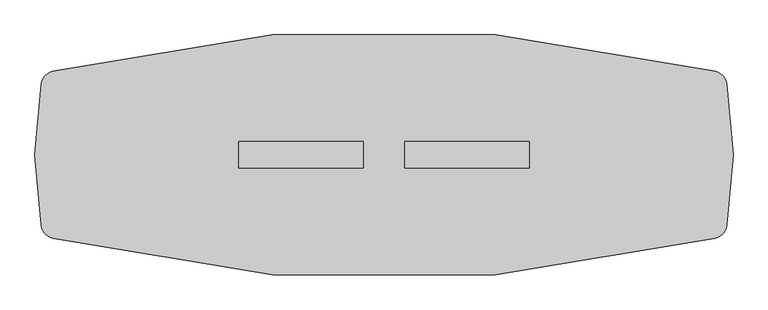
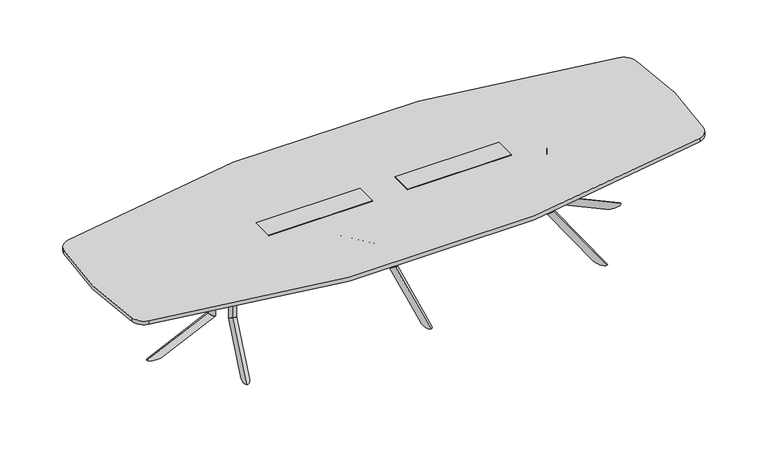
"""IFC4 building model written with IfcOpenShell, lengths in millimetres: furniture geometry."""

from ifc_helpers import new_model, si_unit, point, frame, frame_2d, origin, place, context, project, spatial, polyline, circle_curve, ellipse_curve, trimmed, segment, composite_curve, outline, extrude, faceted_brep, source, transform, mapped, element, save
from ifc_brep_helpers import plane_surface, cylinder_surface, advanced_brep


def furniture_1ea31c49(model_context):
    return source(origin(), model_context, "Body", "SolidModel", [
        advanced_brep(
        [(1158.0223919, 75.2941685, 686.003912), (1174.0497318, 122.655803, 686.003912), (1174.0497318, 122.655803, 209.8373371), (1158.0223919, 75.2941685, 177.9838308)],
        [
            (0, 1, circle_curve(frame((1166.0360619, 98.9749857, 686.003912), z_axis=(0.0, 0.0, 1.0), x_axis=(0.3205467959798249, 0.9472326808060777, 0.0)), 25.0000002)),
            (1, 0, circle_curve(frame((1166.0360619, 98.9749857, 686.003912), z_axis=(0.0, 0.0, 1.0), x_axis=(0.3205467959798249, 0.9472326808060777, 0.0)), 25.0000002)),
            (1, 2),
            (2, 3, ellipse_curve(frame((1166.0360619, 98.9749857, 193.910584), z_axis=(-0.17222964099785984, -0.5089476688044559, 0.8433914993526187), x_axis=(0.2703464428741051, 0.7988879909008375, 0.5372995243062679)), 29.6422245, 25.0000002)),
            (3, 0),
            (3, 2, ellipse_curve(frame((1166.0360619, 98.9749857, 193.910584), z_axis=(-0.17222964099785984, -0.5089476688044559, 0.8433914993526187), x_axis=(0.2703464428741051, 0.7988879909008375, 0.5372995243062679)), 29.6422245, 25.0000002)),
        ],
        [
            plane_surface(frame((1174.0497318, 122.655803, 686.003912), z_axis=(0.0, 0.0, 1.0000000000000002), x_axis=(0.9472326808060777, -0.3205467959798249, 0.0))),
            cylinder_surface(frame((1166.0360619, 98.9749857, 171.4949981), z_axis=(0.0, 0.0, 1.0), x_axis=(0.3205467959798249, 0.9472326808060777, 0.0)), 25.0000002),
            plane_surface(frame((1240.1881968, 41.2603046, 174.2251154), z_axis=(0.17222964099785987, 0.508947668804456, -0.8433914993526189), x_axis=(-0.9472326808060767, 0.32054679597982794, 0.0))),
        ],
        [
            (0, [[1, 2]]),
            (1, [[3, 4, 5, -2]]),
            (1, [[-5, 6, -3, -1]]),
            (2, [[-6, -4]]),
        ],
    ),
        advanced_brep(
        [(1318.2935324, 548.9087623, 0.0), (1280.3663703, 436.8270746, 0.0), (1158.0203866, 75.2882427, 177.9798453), (1174.0497318, 122.6558029, 209.8373371)],
        [
            (0, 1, ellipse_curve(frame((1299.330699, 492.8676655, 0.0), z_axis=(0.0, 0.0, 1.0), x_axis=(-0.32054679597982483, -0.9472326808060776, 0.0)), 59.162434, 25.003125)),
            (1, 2),
            (2, 3, ellipse_curve(frame((1166.0350592, 98.9720228, 193.9085912), z_axis=(0.17222964099785967, 0.5089476688044554, -0.843391499352619), x_axis=(-0.27034644287410003, -0.7988879909008393, -0.5372995243062673)), 29.6459333, 25.003125)),
            (3, 0),
            (3, 2, ellipse_curve(frame((1166.0350592, 98.9720228, 193.9085912), z_axis=(0.17222964099785967, 0.5089476688044554, -0.843391499352619), x_axis=(-0.27034644287410003, -0.7988879909008393, -0.5372995243062673)), 29.6459333, 25.003125)),
            (1, 0, ellipse_curve(frame((1299.330699, 492.8676655, 0.0), z_axis=(0.0, 0.0, 1.0), x_axis=(-0.32054679597982483, -0.9472326808060776, 0.0)), 59.162434, 25.003125)),
        ],
        [
            cylinder_surface(frame((1314.9078767, 538.8990467, -22.6605205), z_axis=(-0.2905140573061644, -0.858484354750152, 0.42261826174069417), x_axis=(0.13546892972354252, 0.40031782902624236, 0.9063077870366524)), 25.003125),
            plane_surface(frame((1243.3905535, 107.1040594, 214.6127246), z_axis=(-0.1722296409978597, -0.5089476688044555, 0.8433914993526193), x_axis=(-0.9472326808060767, 0.3205467959798279, 0.0))),
            plane_surface(frame((1324.2451428, 406.9632923, 0.0), z_axis=(0.0, 0.0, -1.0000000000000002), x_axis=(-0.9472326808060768, 0.3205467959798276, 0.0))),
        ],
        [
            (0, [[1, 2, 3, 4]]),
            (0, [[5, -2, 6, -4]]),
            (1, [[-5, -3]]),
            (2, [[-6, -1]]),
        ],
    ),
        extrude(outline(polyline([(0.0, 0.0), (-9.475476, 14.6158843), (381.7231629, 69.2843282), (391.4053704, 0.0), (0.0, 0.0)])), frame((1300.2005039, 489.1986462, 670.2172707), z_axis=(-0.9472326808060766, 0.320546795979828, 0.0), x_axis=(-0.3174619360313854, -0.9381167570298226, -0.13840111759322388)), (0.0, 0.0, 1.0), 4.0),
        extrude(outline(polyline([(1094.023204, 120.1483939), (1231.2259996, 525.589888), (1373.3109028, 477.5078683), (1236.1081072, 72.0663742), (1094.023204, 120.1483939)])), frame((0.0, 0.0, 686.003912), z_axis=(0.0, 0.0, 1.0), x_axis=(1.0, 0.0, 0.0)), (0.0, 0.0, 1.0), 3.9999739),
        advanced_brep(
        [(1158.0223919, -75.2941685, 686.003912), (1174.0497318, -122.655803, 686.003912), (1158.0223919, -75.2941685, 177.9838308), (1174.0497318, -122.655803, 209.8373371)],
        [
            (0, 1, circle_curve(frame((1166.0360619, -98.9749857, 686.003912), z_axis=(0.0, 0.0, 1.0), x_axis=(0.3205467959798129, -0.9472326808060817, 0.0)), 25.0000002)),
            (1, 0, circle_curve(frame((1166.0360619, -98.9749857, 686.003912), z_axis=(0.0, 0.0, 1.0), x_axis=(0.3205467959798129, -0.9472326808060817, 0.0)), 25.0000002)),
            (0, 2),
            (2, 3, ellipse_curve(frame((1166.0360619, -98.9749857, 193.910584), z_axis=(-0.17222964099785343, 0.5089476688044581, 0.8433914993526187), x_axis=(0.270346442874095, -0.7988879909008408, 0.5372995243062678)), 29.6422245, 25.0000002)),
            (3, 1),
            (3, 2, ellipse_curve(frame((1166.0360619, -98.9749857, 193.910584), z_axis=(-0.17222964099785343, 0.5089476688044581, 0.8433914993526187), x_axis=(0.270346442874095, -0.7988879909008408, 0.5372995243062678)), 29.6422245, 25.0000002)),
        ],
        [
            plane_surface(frame((1174.0497318, -122.655803, 686.003912), z_axis=(0.0, 0.0, 1.0), x_axis=(0.9472326808060817, 0.3205467959798129, 0.0))),
            cylinder_surface(frame((1166.0360619, -98.9749857, 171.4949981), z_axis=(0.0, 0.0, 1.0), x_axis=(0.3205467959798129, -0.9472326808060817, 0.0)), 25.0000002),
            plane_surface(frame((1240.1881968, -41.2603046, 174.2251154), z_axis=(0.17222964099785343, -0.5089476688044581, -0.8433914993526187), x_axis=(-0.9472326808060807, -0.32054679597981595, 0.0))),
        ],
        [
            (0, [[1, 2]]),
            (1, [[-1, 3, 4, 5]]),
            (1, [[-2, -5, 6, -3]]),
            (2, [[-4, -6]]),
        ],
    ),
        advanced_brep(
        [(1318.2950232, -548.9082435, 6.4e-06), (1174.0497318, -122.6558029, 209.8373371), (1158.0203866, -75.2882427, 177.9798453), (1280.3663703, -436.8270746, 0.0)],
        [
            (0, 1),
            (1, 2, ellipse_curve(frame((1166.0350592, -98.9720228, 193.9085912), z_axis=(0.17222964099785326, -0.5089476688044576, -0.843391499352619), x_axis=(-0.2703464428740898, 0.7988879909008427, -0.5372995243062677)), 29.6459333, 25.003125)),
            (2, 3),
            (3, 0, ellipse_curve(frame((1299.330699, -492.8676655, 0.0), z_axis=(0.0, 0.0, 1.0), x_axis=(-0.32054679597981284, 0.9472326808060817, 0.0)), 59.162434, 25.003125)),
            (0, 3, ellipse_curve(frame((1299.330699, -492.8676655, 0.0), z_axis=(0.0, 0.0, 1.0), x_axis=(-0.32054679597981284, 0.9472326808060817, 0.0)), 59.162434, 25.003125)),
            (2, 1, ellipse_curve(frame((1166.0350592, -98.9720228, 193.9085912), z_axis=(0.17222964099785326, -0.5089476688044576, -0.843391499352619), x_axis=(-0.2703464428740898, 0.7988879909008427, -0.5372995243062677)), 29.6459333, 25.003125)),
        ],
        [
            cylinder_surface(frame((1314.9078767, -538.8990467, -22.6605205), z_axis=(-0.29051405730615354, 0.8584843547501557, 0.42261826174069417), x_axis=(0.13546892972353747, -0.400317829026244, 0.9063077870366524)), 25.003125),
            plane_surface(frame((1243.3905535, -107.1040594, 214.6127246), z_axis=(-0.17222964099785326, 0.5089476688044576, 0.843391499352619), x_axis=(-0.9472326808060807, -0.3205467959798159, 0.0))),
            plane_surface(frame((1324.2451428, -406.9632923, 0.0), z_axis=(0.0, 0.0, -1.0), x_axis=(-0.9472326808060808, -0.3205467959798156, 0.0))),
        ],
        [
            (0, [[1, 2, 3, 4]]),
            (0, [[-1, 5, -3, 6]]),
            (1, [[-2, -6]]),
            (2, [[-4, -5]]),
        ],
    ),
        extrude(outline(polyline([(0.0, 0.0), (9.475476, -14.6158843), (-381.723163, -69.2843282), (-391.4053705, 0.0), (0.0, 0.0)])), frame((1296.4115732, -490.4808334, 670.2172707), z_axis=(0.9472326808060806, 0.320546795979816, 0.0), x_axis=(0.31746193603137357, -0.9381167570298267, 0.1384011175932239)), (0.0, 0.0, 1.0), 4.0),
        extrude(outline(polyline([(1094.023204, -120.1483939), (1236.1081072, -72.0663742), (1373.3109028, -477.5078683), (1231.2259996, -525.589888), (1094.023204, -120.1483939)])), frame((0.0, 0.0, 686.003912), z_axis=(0.0, 0.0, 1.0), x_axis=(1.0, 0.0, 0.0)), (0.0, 0.0, 1.0), 3.9999739),
        advanced_brep(
        [(1236.920648, 0.0, 686.4114757), (1286.9206484, 0.0, 686.4114757), (1236.920648, 0.0, 178.3913945), (1286.9206484, 0.0, 210.2449008)],
        [
            (0, 1, circle_curve(frame((1261.9206482, 0.0, 686.4114757), z_axis=(0.0, 0.0, 1.0), x_axis=(1.0, 0.0, 0.0)), 25.0000002)),
            (1, 0, circle_curve(frame((1261.9206482, 0.0, 686.4114757), z_axis=(0.0, 0.0, 1.0), x_axis=(1.0, 0.0, 0.0)), 25.0000002)),
            (0, 2),
            (2, 3, ellipse_curve(frame((1261.9206482, 0.0, 194.3181477), z_axis=(-0.5372995243062679, 0.0, 0.8433914993526187), x_axis=(0.8433914993526187, 0.0, 0.5372995243062678)), 29.6422245, 25.0000002)),
            (3, 1),
            (3, 2, ellipse_curve(frame((1261.9206482, 0.0, 194.3181477), z_axis=(-0.5372995243062679, 0.0, 0.8433914993526187), x_axis=(0.8433914993526187, 0.0, 0.5372995243062678)), 29.6422245, 25.0000002)),
        ],
        [
            plane_surface(frame((1286.9206484, 0.0, 686.4114757), z_axis=(0.0, 0.0, 1.0), x_axis=(0.0, 1.0, 0.0))),
            cylinder_surface(frame((1261.9206482, 0.0, 171.9025618), z_axis=(0.0, 0.0, 1.0), x_axis=(1.0, 0.0, 0.0)), 25.0000002),
            plane_surface(frame((1231.0206453, 88.7395816, 174.6326791), z_axis=(0.5372995243062679, 0.0, -0.8433914993526187), x_axis=(0.0, -1.0, 0.0))),
        ],
        [
            (0, [[1, 2]]),
            (1, [[-1, 3, 4, 5]]),
            (1, [[-2, -5, 6, -3]]),
            (2, [[-4, -6]]),
        ],
    ),
        advanced_brep(
        [(1736.9182563, 0.0, 0.4075701), (1286.9206484, 0.0, 210.2449008), (1236.914392, 0.0, 178.387409), (1618.5934021, 0.0, 0.4075637)],
        [
            (0, 1),
            (1, 2, ellipse_curve(frame((1261.9175202, 0.0, 194.3161549), z_axis=(0.5372995243062675, 0.0, -0.843391499352619), x_axis=(-0.843391499352619, 0.0, -0.5372995243062674)), 29.6459333, 25.003125)),
            (2, 3),
            (3, 0, ellipse_curve(frame((1677.755836, 0.0, 0.4075637), z_axis=(0.0, 0.0, 1.0), x_axis=(-1.0, 0.0, 0.0)), 59.162434, 25.003125)),
            (0, 3, ellipse_curve(frame((1677.755836, 0.0, 0.4075637), z_axis=(0.0, 0.0, 1.0), x_axis=(-1.0, 0.0, 0.0)), 59.162434, 25.003125)),
            (2, 1, ellipse_curve(frame((1261.9175202, 0.0, 194.3161549), z_axis=(0.5372995243062675, 0.0, -0.843391499352619), x_axis=(-0.843391499352619, 0.0, -0.5372995243062674)), 29.6459333, 25.003125)),
        ],
        [
            cylinder_surface(frame((1726.3514791, 0.0, -22.2529568), z_axis=(-0.9063077870366524, 0.0, 0.42261826174069417), x_axis=(0.42261826174069417, 0.0, 0.9063077870366524)), 25.003125),
            plane_surface(frame((1294.4165069, 70.666954, 215.0202883), z_axis=(-0.5372995243062675, 0.0, 0.843391499352619), x_axis=(0.0, -1.0, 0.0))),
            plane_surface(frame((1604.3706514, 51.136147, 0.4075637), z_axis=(0.0, 0.0, -1.0), x_axis=(0.0, -1.0, 0.0))),
        ],
        [
            (0, [[1, 2, 3, 4]]),
            (0, [[-1, 5, -3, 6]]),
            (1, [[-2, -6]]),
            (2, [[-4, -5]]),
        ],
    ),
        extrude(outline(polyline([(670.6248344, 1674.5592342), (686.4114757, 1681.9206659), (686.4114757, 1286.9206484), (616.4538937, 1286.9206484), (670.6248344, 1674.5592342)])), frame((0.0, -2.0, 0.0), z_axis=(0.0, 1.0, 0.0), x_axis=(0.0, 0.0, 1.0)), (0.0, 0.0, 1.0), 4.0),
        extrude(outline(polyline([(1258.8933015, -75.0000006), (1258.8933015, 75.0000006), (1686.9206514, 75.0000006), (1686.9206514, -75.0000006), (1258.8933015, -75.0000006)])), frame((0.0, 0.0, 686.4114757), z_axis=(0.0, 0.0, 1.0), x_axis=(1.0, 0.0, 0.0)), (0.0, 0.0, 1.0), 3.9999739),
        extrude(outline(composite_curve([segment(trimmed(circle_curve(frame_2d((1160.4271514, 0.1720115)), 88.6441382), [point((1188.3449789, 84.3051093))], [point((1245.4833158, 25.1366295))], False, "CARTESIAN"), True, "CONTINUOUS"), segment(polyline([(1245.4833158, 25.1366295), (1240.9135834, 23.795379)]), True, "CONTINUOUS"), segment(trimmed(circle_curve(frame_2d((1160.4271514, 0.1720115)), 83.8816382), [point((1240.9135834, 23.795379))], [point((1186.8450641, 79.7849698))], True, "CARTESIAN"), True, "CONTINUOUS"), segment(polyline([(1186.8450641, 79.7849698), (1188.3449789, 84.3051093)]), True, "CONTINUOUS")], self_intersect=False)), frame((0.0, 0.0, 417.003907), z_axis=(0.0, 0.0, 1.0), x_axis=(1.0, 0.0, 0.0)), (0.0, 0.0, 1.0), 199.4499866),
        extrude(outline(composite_curve([segment(polyline([(1188.3449789, -84.3051093), (1186.8450641, -79.7849698)]), True, "CONTINUOUS"), segment(trimmed(circle_curve(frame_2d((1160.4271514, -0.1720115)), 83.8816382), [point((1186.8450641, -79.7849698))], [point((1240.9135834, -23.795379))], True, "CARTESIAN"), True, "CONTINUOUS"), segment(polyline([(1240.9135834, -23.795379), (1245.4833158, -25.1366295)]), True, "CONTINUOUS"), segment(trimmed(circle_curve(frame_2d((1160.4271514, -0.1720115)), 88.6441382), [point((1245.4833158, -25.1366295))], [point((1188.3449789, -84.3051093))], False, "CARTESIAN"), True, "CONTINUOUS")], self_intersect=False)), frame((0.0, 0.0, 417.003907), z_axis=(0.0, 0.0, 1.0), x_axis=(1.0, 0.0, 0.0)), (0.0, 0.0, 1.0), 199.4499866),
        faceted_brep([(889.0, 79.6726562, 721.2210938), (127.0, 79.6726562, 721.2210938), (127.0, -79.6726563, 721.2210938), (889.0, -79.6726563, 721.2210938), (889.0, 79.6726562, 718.0460938), (889.0, -79.6726563, 718.0460938), (127.0, -79.6726563, 718.0460938), (127.0, 79.6726562, 718.0460938), (885.825, 74.9101562, 718.0460938), (130.175, 74.9101562, 718.0460938), (130.175, -74.9101563, 718.0460938), (885.825, -74.9101563, 718.0460938), (885.825, 74.9101562, 648.1960938), (885.825, -74.9101563, 648.1960938), (130.175, -74.9101563, 648.1960938), (130.175, 74.9101562, 648.1960938)], [[[0, 1, 2, 3]], [[4, 5, 6, 7], [8, 9, 10, 11]], [[1, 0, 4, 7]], [[2, 1, 7, 6]], [[3, 2, 6, 5]], [[0, 3, 5, 4]], [[12, 13, 14, 15]], [[12, 15, 9, 8]], [[15, 14, 10, 9]], [[14, 13, 11, 10]], [[13, 12, 8, 11]]]),
        faceted_brep([(-127.0, 79.6726562, 721.2210938), (-889.0, 79.6726562, 721.2210938), (-889.0, -79.6726563, 721.2210938), (-127.0, -79.6726563, 721.2210938), (-127.0, 79.6726562, 718.0460938), (-127.0, -79.6726563, 718.0460938), (-889.0, -79.6726563, 718.0460938), (-889.0, 79.6726562, 718.0460938), (-130.175, 74.9101562, 718.0460938), (-885.825, 74.9101562, 718.0460938), (-885.825, -74.9101563, 718.0460938), (-130.175, -74.9101563, 718.0460938), (-130.175, 74.9101562, 648.1960938), (-130.175, -74.9101563, 648.1960938), (-885.825, -74.9101563, 648.1960938), (-885.825, 74.9101562, 648.1960938)], [[[0, 1, 2, 3]], [[4, 5, 6, 7], [8, 9, 10, 11]], [[1, 0, 4, 7]], [[2, 1, 7, 6]], [[3, 2, 6, 5]], [[0, 3, 5, 4]], [[12, 13, 14, 15]], [[12, 15, 9, 8]], [[15, 14, 10, 9]], [[14, 13, 11, 10]], [[13, 12, 8, 11]]]),
        advanced_brep(
        [(0.0, -100.1086873, 686.003912), (0.0, -150.1086877, 686.003912), (0.0, -100.1086873, 177.9838308), (0.0, -150.1086877, 209.8373371)],
        [
            (0, 1, circle_curve(frame((0.0, -125.1086875, 686.003912), z_axis=(0.0, 0.0, 1.0), x_axis=(0.0, -1.0000000000000002, 0.0)), 25.0000002)),
            (1, 0, circle_curve(frame((0.0, -125.1086875, 686.003912), z_axis=(0.0, 0.0, 1.0), x_axis=(0.0, -1.0000000000000002, 0.0)), 25.0000002)),
            (0, 2),
            (2, 3, ellipse_curve(frame((0.0, -125.1086875, 193.910584), z_axis=(0.0, 0.5372995243062679, 0.8433914993526188), x_axis=(0.0, -0.8433914993526189, 0.5372995243062675)), 29.6422245, 25.0000002)),
            (3, 1),
            (3, 2, ellipse_curve(frame((0.0, -125.1086875, 193.910584), z_axis=(0.0, 0.5372995243062679, 0.8433914993526188), x_axis=(0.0, -0.8433914993526189, 0.5372995243062675)), 29.6422245, 25.0000002)),
        ],
        [
            plane_surface(frame((0.0, -150.1086877, 686.003912), z_axis=(0.0, 0.0, 1.0), x_axis=(1.0, 0.0, 0.0))),
            cylinder_surface(frame((0.0, -125.1086875, 171.4949981), z_axis=(0.0, 0.0, 1.0), x_axis=(0.0, -1.0000000000000002, 0.0)), 25.0000002),
            plane_surface(frame((88.7395816, -94.2086846, 174.2251154), z_axis=(0.0, -0.5372995243062679, -0.8433914993526188), x_axis=(-1.0, 0.0, 0.0))),
        ],
        [
            (0, [[1, 2]]),
            (1, [[-1, 3, 4, 5]]),
            (1, [[-2, -5, 6, -3]]),
            (2, [[-4, -6]]),
        ],
    ),
        advanced_brep(
        [(0.0, -600.1062956, 6.4e-06), (0.0, -150.1086877, 209.8373371), (0.0, -100.1024313, 177.9798453), (0.0, -481.7814414, 0.0)],
        [
            (0, 1),
            (1, 2, ellipse_curve(frame((0.0, -125.1055595, 193.9085912), z_axis=(0.0, -0.5372995243062674, -0.843391499352619), x_axis=(0.0, 0.8433914993526193, -0.5372995243062672)), 29.6459333, 25.003125)),
            (2, 3),
            (3, 0, ellipse_curve(frame((0.0, -540.9438753, 0.0), z_axis=(0.0, 0.0, 1.0), x_axis=(0.0, 1.0, 0.0)), 59.162434, 25.003125)),
            (0, 3, ellipse_curve(frame((0.0, -540.9438753, 0.0), z_axis=(0.0, 0.0, 1.0), x_axis=(0.0, 1.0, 0.0)), 59.162434, 25.003125)),
            (2, 1, ellipse_curve(frame((0.0, -125.1055595, 193.9085912), z_axis=(0.0, -0.5372995243062674, -0.843391499352619), x_axis=(0.0, 0.8433914993526193, -0.5372995243062672)), 29.6459333, 25.003125)),
        ],
        [
            cylinder_surface(frame((0.0, -589.5395183, -22.6605205), z_axis=(0.0, 0.9063077870366526, 0.42261826174069417), x_axis=(0.0, -0.4226182617406943, 0.9063077870366524)), 25.003125),
            plane_surface(frame((70.666954, -157.6045462, 214.6127246), z_axis=(0.0, 0.5372995243062674, 0.843391499352619), x_axis=(-1.0, 0.0, 0.0))),
            plane_surface(frame((51.136147, -467.5586907, 0.0), z_axis=(0.0, 0.0, -1.0), x_axis=(-1.0, 0.0, 0.0))),
        ],
        [
            (0, [[1, 2, 3, 4]]),
            (0, [[-1, 5, -3, 6]]),
            (1, [[-2, -6]]),
            (2, [[-4, -5]]),
        ],
    ),
        extrude(outline(polyline([(-537.7472735, 670.2172707), (-545.1087052, 686.003912), (-150.1086877, 686.003912), (-150.1086877, 616.04633), (-537.7472735, 670.2172707)])), frame((-2.0, 0.0, 0.0), z_axis=(1.0, 0.0, 0.0), x_axis=(0.0, 1.0, 0.0)), (0.0, 0.0, 1.0), 4.0),
        extrude(outline(polyline([(-75.0000006, -122.0813408), (75.0000006, -122.0813408), (75.0000006, -550.1086907), (-75.0000006, -550.1086907), (-75.0000006, -122.0813408)])), frame((0.0, 0.0, 686.003912), z_axis=(0.0, 0.0, 1.0), x_axis=(1.0, 0.0, 0.0)), (0.0, 0.0, 1.0), 3.9999739),
        advanced_brep(
        [(0.0, 100.1086873, 686.003912), (0.0, 150.1086877, 686.003912), (0.0, 100.1086873, 177.9838308), (0.0, 150.1086877, 209.8373371)],
        [
            (0, 1, circle_curve(frame((0.0, 125.1086875, 686.003912), z_axis=(0.0, 0.0, 1.0), x_axis=(0.0, 1.0000000000000002, 0.0)), 25.0000002)),
            (1, 0, circle_curve(frame((0.0, 125.1086875, 686.003912), z_axis=(0.0, 0.0, 1.0), x_axis=(0.0, 1.0000000000000002, 0.0)), 25.0000002)),
            (0, 2),
            (2, 3, ellipse_curve(frame((0.0, 125.1086875, 193.910584), z_axis=(0.0, -0.5372995243062679, 0.8433914993526188), x_axis=(0.0, 0.8433914993526189, 0.5372995243062675)), 29.6422245, 25.0000002)),
            (3, 1),
            (3, 2, ellipse_curve(frame((0.0, 125.1086875, 193.910584), z_axis=(0.0, -0.5372995243062679, 0.8433914993526188), x_axis=(0.0, 0.8433914993526189, 0.5372995243062675)), 29.6422245, 25.0000002)),
        ],
        [
            plane_surface(frame((0.0, 150.1086877, 686.003912), z_axis=(0.0, 0.0, 1.0), x_axis=(-1.0, 0.0, 0.0))),
            cylinder_surface(frame((0.0, 125.1086875, 171.4949981), z_axis=(0.0, 0.0, 1.0), x_axis=(0.0, 1.0000000000000002, 0.0)), 25.0000002),
            plane_surface(frame((-88.7395816, 94.2086846, 174.2251154), z_axis=(0.0, 0.5372995243062679, -0.8433914993526188), x_axis=(1.0, 0.0, 0.0))),
        ],
        [
            (0, [[1, 2]]),
            (1, [[-1, 3, 4, 5]]),
            (1, [[-2, -5, 6, -3]]),
            (2, [[-4, -6]]),
        ],
    ),
        advanced_brep(
        [(0.0, 600.1062956, 6.4e-06), (0.0, 150.1086877, 209.8373371), (0.0, 100.1024313, 177.9798453), (0.0, 481.7814414, 0.0)],
        [
            (0, 1),
            (1, 2, ellipse_curve(frame((0.0, 125.1055595, 193.9085912), z_axis=(0.0, 0.5372995243062674, -0.843391499352619), x_axis=(0.0, -0.8433914993526193, -0.5372995243062672)), 29.6459333, 25.003125)),
            (2, 3),
            (3, 0, ellipse_curve(frame((0.0, 540.9438753, 0.0), z_axis=(0.0, 0.0, 1.0), x_axis=(0.0, -1.0, 0.0)), 59.162434, 25.003125)),
            (0, 3, ellipse_curve(frame((0.0, 540.9438753, 0.0), z_axis=(0.0, 0.0, 1.0), x_axis=(0.0, -1.0, 0.0)), 59.162434, 25.003125)),
            (2, 1, ellipse_curve(frame((0.0, 125.1055595, 193.9085912), z_axis=(0.0, 0.5372995243062674, -0.843391499352619), x_axis=(0.0, -0.8433914993526193, -0.5372995243062672)), 29.6459333, 25.003125)),
        ],
        [
            cylinder_surface(frame((0.0, 589.5395183, -22.6605205), z_axis=(0.0, -0.9063077870366526, 0.42261826174069417), x_axis=(0.0, 0.4226182617406943, 0.9063077870366524)), 25.003125),
            plane_surface(frame((-70.666954, 157.6045462, 214.6127246), z_axis=(0.0, -0.5372995243062674, 0.843391499352619), x_axis=(1.0, 0.0, 0.0))),
            plane_surface(frame((-51.136147, 467.5586907, 0.0), z_axis=(0.0, 0.0, -1.0), x_axis=(1.0, 0.0, 0.0))),
        ],
        [
            (0, [[1, 2, 3, 4]]),
            (0, [[-1, 5, -3, 6]]),
            (1, [[-2, -6]]),
            (2, [[-4, -5]]),
        ],
    ),
        extrude(outline(polyline([(537.7472735, 670.2172707), (150.1086877, 616.04633), (150.1086877, 686.003912), (545.1087052, 686.003912), (537.7472735, 670.2172707)])), frame((-2.0, 0.0, 0.0), z_axis=(1.0, 0.0, 0.0), x_axis=(0.0, 1.0, 0.0)), (0.0, 0.0, 1.0), 4.0),
        extrude(outline(polyline([(75.0000006, 122.0813408), (-75.0000006, 122.0813408), (-75.0000006, 550.1086907), (75.0000006, 550.1086907), (75.0000006, 122.0813408)])), frame((0.0, 0.0, 686.003912), z_axis=(0.0, 0.0, 1.0), x_axis=(1.0, 0.0, 0.0)), (0.0, 0.0, 1.0), 3.9999739),
        advanced_brep(
        [(-1158.0223919, -75.2941685, 686.003912), (-1174.0497318, -122.655803, 686.003912), (-1174.0497318, -122.655803, 209.8373371), (-1158.0223919, -75.2941685, 177.9838308)],
        [
            (0, 1, circle_curve(frame((-1166.0360619, -98.9749857, 686.003912), z_axis=(0.0, 0.0, 1.0), x_axis=(-0.3205467959798189, -0.9472326808060797, 0.0)), 25.0000002)),
            (1, 0, circle_curve(frame((-1166.0360619, -98.9749857, 686.003912), z_axis=(0.0, 0.0, 1.0), x_axis=(-0.3205467959798189, -0.9472326808060797, 0.0)), 25.0000002)),
            (1, 2),
            (2, 3, ellipse_curve(frame((-1166.0360619, -98.9749857, 193.910584), z_axis=(0.17222964099785665, 0.508947668804457, 0.8433914993526188), x_axis=(-0.27034644287410003, -0.7988879909008393, 0.5372995243062675)), 29.6422245, 25.0000002)),
            (3, 0),
            (3, 2, ellipse_curve(frame((-1166.0360619, -98.9749857, 193.910584), z_axis=(0.17222964099785665, 0.508947668804457, 0.8433914993526188), x_axis=(-0.27034644287410003, -0.7988879909008393, 0.5372995243062675)), 29.6422245, 25.0000002)),
        ],
        [
            plane_surface(frame((-1174.0497318, -122.655803, 686.003912), z_axis=(0.0, 0.0, 1.0), x_axis=(-0.9472326808060797, 0.3205467959798189, 0.0))),
            cylinder_surface(frame((-1166.0360619, -98.9749857, 171.4949981), z_axis=(0.0, 0.0, 1.0), x_axis=(-0.3205467959798189, -0.9472326808060797, 0.0)), 25.0000002),
            plane_surface(frame((-1240.1881968, -41.2603046, 174.2251154), z_axis=(-0.17222964099785665, -0.508947668804457, -0.8433914993526188), x_axis=(0.9472326808060787, -0.32054679597982194, 0.0))),
        ],
        [
            (0, [[1, 2]]),
            (1, [[3, 4, 5, -2]]),
            (1, [[-5, 6, -3, -1]]),
            (2, [[-6, -4]]),
        ],
    ),
        advanced_brep(
        [(-1318.2935324, -548.9087623, 0.0), (-1280.3663703, -436.8270746, 0.0), (-1158.0203866, -75.2882427, 177.9798453), (-1174.0497318, -122.6558029, 209.8373371)],
        [
            (0, 1, ellipse_curve(frame((-1299.330699, -492.8676655, 0.0), z_axis=(0.0, 0.0, 1.0), x_axis=(0.32054679597981883, 0.9472326808060797, 0.0)), 59.162434, 25.003125)),
            (1, 2),
            (2, 3, ellipse_curve(frame((-1166.0350592, -98.9720228, 193.9085912), z_axis=(-0.17222964099785648, -0.5089476688044566, -0.843391499352619), x_axis=(0.2703464428740949, 0.798887990900841, -0.5372995243062678)), 29.6459333, 25.003125)),
            (3, 0),
            (3, 2, ellipse_curve(frame((-1166.0350592, -98.9720228, 193.9085912), z_axis=(-0.17222964099785648, -0.5089476688044566, -0.843391499352619), x_axis=(0.2703464428740949, 0.798887990900841, -0.5372995243062678)), 29.6459333, 25.003125)),
            (1, 0, ellipse_curve(frame((-1299.330699, -492.8676655, 0.0), z_axis=(0.0, 0.0, 1.0), x_axis=(0.32054679597981883, 0.9472326808060797, 0.0)), 59.162434, 25.003125)),
        ],
        [
            cylinder_surface(frame((-1314.9078767, -538.8990467, -22.6605205), z_axis=(0.290514057306159, 0.8584843547501538, 0.42261826174069417), x_axis=(-0.13546892972354, -0.4003178290262432, 0.9063077870366524)), 25.003125),
            plane_surface(frame((-1243.3905535, -107.1040594, 214.6127246), z_axis=(0.17222964099785648, 0.5089476688044566, 0.843391499352619), x_axis=(0.9472326808060787, -0.3205467959798219, 0.0))),
            plane_surface(frame((-1324.2451428, -406.9632923, 0.0), z_axis=(0.0, 0.0, -1.0000000000000002), x_axis=(0.9472326808060788, -0.3205467959798216, 0.0))),
        ],
        [
            (0, [[1, 2, 3, 4]]),
            (0, [[5, -2, 6, -4]]),
            (1, [[-5, -3]]),
            (2, [[-6, -1]]),
        ],
    ),
        extrude(outline(polyline([(0.0, 0.0), (-391.4053705, 0.0), (-381.723163, 69.2843282), (9.475476, 14.6158843), (0.0, 0.0)])), frame((-1296.4115732, -490.4808334, 670.2172707), z_axis=(-0.9472326808060786, 0.320546795979822, 0.0), x_axis=(-0.31746193603137945, -0.9381167570298246, 0.13840111759322388)), (0.0, 0.0, 1.0), 4.0),
        extrude(outline(polyline([(-1094.023204, -120.1483939), (-1231.2259996, -525.589888), (-1373.3109028, -477.5078683), (-1236.1081072, -72.0663742), (-1094.023204, -120.1483939)])), frame((0.0, 0.0, 686.003912), z_axis=(0.0, 0.0, 1.0), x_axis=(1.0, 0.0, 0.0)), (0.0, 0.0, 1.0), 3.9999739),
        advanced_brep(
        [(-1158.0223919, 75.2941685, 686.003912), (-1174.0497318, 122.655803, 686.003912), (-1158.0223919, 75.2941685, 177.9838308), (-1174.0497318, 122.655803, 209.8373371)],
        [
            (0, 1, circle_curve(frame((-1166.0360619, 98.9749857, 686.003912), z_axis=(0.0, 0.0, 1.0), x_axis=(-0.3205467959798189, 0.9472326808060797, 0.0)), 25.0000002)),
            (1, 0, circle_curve(frame((-1166.0360619, 98.9749857, 686.003912), z_axis=(0.0, 0.0, 1.0), x_axis=(-0.3205467959798189, 0.9472326808060797, 0.0)), 25.0000002)),
            (0, 2),
            (2, 3, ellipse_curve(frame((-1166.0360619, 98.9749857, 193.910584), z_axis=(0.17222964099785665, -0.508947668804457, 0.8433914993526188), x_axis=(-0.27034644287410003, 0.7988879909008393, 0.5372995243062675)), 29.6422245, 25.0000002)),
            (3, 1),
            (3, 2, ellipse_curve(frame((-1166.0360619, 98.9749857, 193.910584), z_axis=(0.17222964099785665, -0.508947668804457, 0.8433914993526188), x_axis=(-0.27034644287410003, 0.7988879909008393, 0.5372995243062675)), 29.6422245, 25.0000002)),
        ],
        [
            plane_surface(frame((-1174.0497318, 122.655803, 686.003912), z_axis=(0.0, 0.0, 1.0), x_axis=(-0.9472326808060797, -0.3205467959798189, 0.0))),
            cylinder_surface(frame((-1166.0360619, 98.9749857, 171.4949981), z_axis=(0.0, 0.0, 1.0), x_axis=(-0.3205467959798189, 0.9472326808060797, 0.0)), 25.0000002),
            plane_surface(frame((-1240.1881968, 41.2603046, 174.2251154), z_axis=(-0.17222964099785665, 0.508947668804457, -0.8433914993526188), x_axis=(0.9472326808060787, 0.32054679597982194, 0.0))),
        ],
        [
            (0, [[1, 2]]),
            (1, [[-1, 3, 4, 5]]),
            (1, [[-2, -5, 6, -3]]),
            (2, [[-4, -6]]),
        ],
    ),
        advanced_brep(
        [(-1318.2950232, 548.9082435, 6.4e-06), (-1174.0497318, 122.6558029, 209.8373371), (-1158.0203866, 75.2882427, 177.9798453), (-1280.3663703, 436.8270746, 0.0)],
        [
            (0, 1),
            (1, 2, ellipse_curve(frame((-1166.0350592, 98.9720228, 193.9085912), z_axis=(-0.17222964099785648, 0.5089476688044566, -0.843391499352619), x_axis=(0.2703464428740949, -0.798887990900841, -0.5372995243062678)), 29.6459333, 25.003125)),
            (2, 3),
            (3, 0, ellipse_curve(frame((-1299.330699, 492.8676655, 0.0), z_axis=(0.0, 0.0, 1.0), x_axis=(0.32054679597981883, -0.9472326808060797, 0.0)), 59.162434, 25.003125)),
            (0, 3, ellipse_curve(frame((-1299.330699, 492.8676655, 0.0), z_axis=(0.0, 0.0, 1.0), x_axis=(0.32054679597981883, -0.9472326808060797, 0.0)), 59.162434, 25.003125)),
            (2, 1, ellipse_curve(frame((-1166.0350592, 98.9720228, 193.9085912), z_axis=(-0.17222964099785648, 0.5089476688044566, -0.843391499352619), x_axis=(0.2703464428740949, -0.798887990900841, -0.5372995243062678)), 29.6459333, 25.003125)),
        ],
        [
            cylinder_surface(frame((-1314.9078767, 538.8990467, -22.6605205), z_axis=(0.290514057306159, -0.8584843547501538, 0.42261826174069417), x_axis=(-0.13546892972354, 0.4003178290262432, 0.9063077870366524)), 25.003125),
            plane_surface(frame((-1243.3905535, 107.1040594, 214.6127246), z_axis=(0.17222964099785648, -0.5089476688044566, 0.843391499352619), x_axis=(0.9472326808060787, 0.3205467959798219, 0.0))),
            plane_surface(frame((-1324.2451428, 406.9632923, 0.0), z_axis=(0.0, 0.0, -1.0000000000000002), x_axis=(0.9472326808060788, 0.3205467959798216, 0.0))),
        ],
        [
            (0, [[1, 2, 3, 4]]),
            (0, [[-1, 5, -3, 6]]),
            (1, [[-2, -6]]),
            (2, [[-4, -5]]),
        ],
    ),
        extrude(outline(polyline([(0.0, 0.0), (391.4053704, 0.0), (381.7231629, -69.2843282), (-9.475476, -14.6158843), (0.0, 0.0)])), frame((-1300.2005039, 489.1986462, 670.2172707), z_axis=(0.9472326808060786, 0.320546795979822, 0.0), x_axis=(0.31746193603137945, -0.9381167570298246, -0.13840111759322388)), (0.0, 0.0, 1.0), 4.0),
        extrude(outline(polyline([(-1094.023204, 120.1483939), (-1236.1081072, 72.0663742), (-1373.3109028, 477.5078683), (-1231.2259996, 525.589888), (-1094.023204, 120.1483939)])), frame((0.0, 0.0, 686.003912), z_axis=(0.0, 0.0, 1.0), x_axis=(1.0, 0.0, 0.0)), (0.0, 0.0, 1.0), 3.9999739),
        advanced_brep(
        [(-1236.920648, 0.0, 686.4114757), (-1286.9206484, 0.0, 686.4114757), (-1236.920648, 0.0, 178.3913945), (-1286.9206484, 0.0, 210.2449008)],
        [
            (0, 1, circle_curve(frame((-1261.9206482, 0.0, 686.4114757), z_axis=(0.0, 0.0, 1.0), x_axis=(-1.0, 0.0, 0.0)), 25.0000002)),
            (1, 0, circle_curve(frame((-1261.9206482, 0.0, 686.4114757), z_axis=(0.0, 0.0, 1.0), x_axis=(-1.0, 0.0, 0.0)), 25.0000002)),
            (0, 2),
            (2, 3, ellipse_curve(frame((-1261.9206482, 0.0, 194.3181477), z_axis=(0.5372995243062679, 0.0, 0.8433914993526187), x_axis=(-0.8433914993526187, 0.0, 0.5372995243062678)), 29.6422245, 25.0000002)),
            (3, 1),
            (3, 2, ellipse_curve(frame((-1261.9206482, 0.0, 194.3181477), z_axis=(0.5372995243062679, 0.0, 0.8433914993526187), x_axis=(-0.8433914993526187, 0.0, 0.5372995243062678)), 29.6422245, 25.0000002)),
        ],
        [
            plane_surface(frame((-1286.9206484, 0.0, 686.4114757), z_axis=(0.0, 0.0, 1.0), x_axis=(0.0, -1.0, 0.0))),
            cylinder_surface(frame((-1261.9206482, 0.0, 171.9025618), z_axis=(0.0, 0.0, 1.0), x_axis=(-1.0, 0.0, 0.0)), 25.0000002),
            plane_surface(frame((-1231.0206453, -88.7395816, 174.6326791), z_axis=(-0.5372995243062679, 0.0, -0.8433914993526187), x_axis=(0.0, 1.0, 0.0))),
        ],
        [
            (0, [[1, 2]]),
            (1, [[-1, 3, 4, 5]]),
            (1, [[-2, -5, 6, -3]]),
            (2, [[-4, -6]]),
        ],
    ),
        advanced_brep(
        [(-1736.9182563, 0.0, 0.4075701), (-1286.9206484, 0.0, 210.2449008), (-1236.914392, 0.0, 178.387409), (-1618.5934021, 0.0, 0.4075637)],
        [
            (0, 1),
            (1, 2, ellipse_curve(frame((-1261.9175202, 0.0, 194.3161549), z_axis=(-0.5372995243062675, 0.0, -0.843391499352619), x_axis=(0.843391499352619, 0.0, -0.5372995243062674)), 29.6459333, 25.003125)),
            (2, 3),
            (3, 0, ellipse_curve(frame((-1677.755836, 0.0, 0.4075637), z_axis=(0.0, 0.0, 1.0), x_axis=(1.0, 0.0, 0.0)), 59.162434, 25.003125)),
            (0, 3, ellipse_curve(frame((-1677.755836, 0.0, 0.4075637), z_axis=(0.0, 0.0, 1.0), x_axis=(1.0, 0.0, 0.0)), 59.162434, 25.003125)),
            (2, 1, ellipse_curve(frame((-1261.9175202, 0.0, 194.3161549), z_axis=(-0.5372995243062675, 0.0, -0.843391499352619), x_axis=(0.843391499352619, 0.0, -0.5372995243062674)), 29.6459333, 25.003125)),
        ],
        [
            cylinder_surface(frame((-1726.3514791, 0.0, -22.2529568), z_axis=(0.9063077870366524, 0.0, 0.42261826174069417), x_axis=(-0.42261826174069417, 0.0, 0.9063077870366524)), 25.003125),
            plane_surface(frame((-1294.4165069, -70.666954, 215.0202883), z_axis=(0.5372995243062675, 0.0, 0.843391499352619), x_axis=(0.0, 1.0, 0.0))),
            plane_surface(frame((-1604.3706514, -51.136147, 0.4075637), z_axis=(0.0, 0.0, -1.0), x_axis=(0.0, 1.0, 0.0))),
        ],
        [
            (0, [[1, 2, 3, 4]]),
            (0, [[-1, 5, -3, 6]]),
            (1, [[-2, -6]]),
            (2, [[-4, -5]]),
        ],
    ),
        extrude(outline(polyline([(670.6248344, -1674.5592342), (616.4538937, -1286.9206484), (686.4114757, -1286.9206484), (686.4114757, -1681.9206659), (670.6248344, -1674.5592342)])), frame((0.0, -2.0, 0.0), z_axis=(0.0, 1.0, 0.0), x_axis=(0.0, 0.0, 1.0)), (0.0, 0.0, 1.0), 4.0),
        extrude(outline(polyline([(-1258.8933015, 75.0000006), (-1258.8933015, -75.0000006), (-1686.9206514, -75.0000006), (-1686.9206514, 75.0000006), (-1258.8933015, 75.0000006)])), frame((0.0, 0.0, 686.4114757), z_axis=(0.0, 0.0, 1.0), x_axis=(1.0, 0.0, 0.0)), (0.0, 0.0, 1.0), 3.9999739),
        extrude(outline(composite_curve([segment(trimmed(circle_curve(frame_2d((-1160.4271514, -0.1720115)), 88.6441382), [point((-1188.3449789, -84.3051093))], [point((-1245.4833158, -25.1366295))], False, "CARTESIAN"), True, "CONTINUOUS"), segment(polyline([(-1245.4833158, -25.1366295), (-1240.9135834, -23.795379)]), True, "CONTINUOUS"), segment(trimmed(circle_curve(frame_2d((-1160.4271514, -0.1720115)), 83.8816382), [point((-1240.9135834, -23.795379))], [point((-1186.8450641, -79.7849698))], True, "CARTESIAN"), True, "CONTINUOUS"), segment(polyline([(-1186.8450641, -79.7849698), (-1188.3449789, -84.3051093)]), True, "CONTINUOUS")], self_intersect=False)), frame((0.0, 0.0, 417.003907), z_axis=(0.0, 0.0, 1.0), x_axis=(1.0, 0.0, 0.0)), (0.0, 0.0, 1.0), 199.4499866),
        extrude(outline(composite_curve([segment(polyline([(-1188.3449789, 84.3051093), (-1186.8450641, 79.7849698)]), True, "CONTINUOUS"), segment(trimmed(circle_curve(frame_2d((-1160.4271514, 0.1720115)), 83.8816382), [point((-1186.8450641, 79.7849698))], [point((-1240.9135834, 23.795379))], True, "CARTESIAN"), True, "CONTINUOUS"), segment(polyline([(-1240.9135834, 23.795379), (-1245.4833158, 25.1366295)]), True, "CONTINUOUS"), segment(trimmed(circle_curve(frame_2d((-1160.4271514, 0.1720115)), 88.6441382), [point((-1245.4833158, 25.1366295))], [point((-1188.3449789, 84.3051093))], False, "CARTESIAN"), True, "CONTINUOUS")], self_intersect=False)), frame((0.0, 0.0, 417.003907), z_axis=(0.0, 0.0, 1.0), x_axis=(1.0, 0.0, 0.0)), (0.0, 0.0, 1.0), 199.4499866),
        extrude(outline(composite_curve([segment(trimmed(circle_curve(frame_2d((-1996.2813504, 414.0552005)), 101.6), [point((-2096.3689212, 431.5205428))], [point((-2020.9837293, 512.6064688))], False, "CARTESIAN"), True, "CONTINUOUS"), segment(trimmed(circle_curve(frame_2d((0.0, -7550.2003679)), 8312.2337142), [point((-2020.9837293, 512.6064688))], [point((2020.9837293, 512.6064688))], False, "CARTESIAN"), True, "CONTINUOUS"), segment(trimmed(circle_curve(frame_2d((1996.2813504, 414.0552005)), 101.6), [point((2020.9837293, 512.6064688))], [point((2096.3689212, 431.5205428))], False, "CARTESIAN"), True, "CONTINUOUS"), segment(trimmed(circle_curve(frame_2d((-376.3287641, 0.0332842)), 2510.0627676), [point((2096.3689212, 431.5205428))], [point((2096.35626, -431.5265246))], False, "CARTESIAN"), True, "CONTINUOUS"), segment(trimmed(circle_curve(frame_2d((1996.2692018, -414.0582456)), 101.6), [point((2096.35626, -431.5265246))], [point((2020.9714303, -512.6095516))], False, "CARTESIAN"), True, "CONTINUOUS"), segment(trimmed(circle_curve(frame_2d((0.0, 7550.2003679)), 8312.2337142), [point((2020.9714303, -512.6095516))], [point((-2020.9714303, -512.6095516))], False, "CARTESIAN"), True, "CONTINUOUS"), segment(trimmed(circle_curve(frame_2d((-1996.2692018, -414.0582456)), 101.6), [point((-2020.9714303, -512.6095516))], [point((-2096.35626, -431.5265246))], False, "CARTESIAN"), True, "CONTINUOUS"), segment(trimmed(circle_curve(frame_2d((376.3287641, 0.0332842)), 2510.0627676), [point((-2096.35626, -431.5265246))], [point((-2096.3689212, 431.5205428))], False, "CARTESIAN"), True, "CONTINUOUS")], self_intersect=False)), frame((0.0, 0.0, 689.9671875), z_axis=(0.0, 0.0, 1.0), x_axis=(1.0, 0.0, 0.0)), (0.0, 0.0, 1.0), 28.0789063),
        extrude(outline(polyline([(1136.65, -88.7586607), (1136.65, -95.1086607), (-1136.65, -95.1086607), (-1136.65, -88.7586607), (1136.65, -88.7586607)])), frame((0.0, 0.0, 417.003907), z_axis=(0.0, 0.0, 1.0), x_axis=(1.0, 0.0, 0.0)), (0.0, 0.0, 1.0), 272.9999788),
        extrude(outline(polyline([(1136.65, 95.1086607), (1136.65, 88.7586607), (-1136.65, 88.7586607), (-1136.65, 95.1086607), (1136.65, 95.1086607)])), frame((0.0, 0.0, 417.003907), z_axis=(0.0, 0.0, 1.0), x_axis=(1.0, 0.0, 0.0)), (0.0, 0.0, 1.0), 272.9999788),
    ])


if __name__ == "__main__":
    model = new_model("IFC4")
    model_context = context("Model", 3, world=origin())
    ifc_project = project(units=[si_unit("LENGTHUNIT", "METRE", prefix="MILLI")], contexts=[model_context])
    site = spatial("IfcSite", under=ifc_project)
    building = spatial("IfcBuilding", under=site)
    placement = place(None, origin())
    furniture_shape = furniture_1ea31c49(model_context)
    element("IfcFurniture", 1, at=placement, inside=building, context=model_context, shape_type="MappedRepresentation", body=[
        mapped(furniture_shape, transform((0.0, 0.0, 0.0), x_axis=(1.0, 0.0, 0.0), y_axis=(0.0, 1.0, 0.0), z_axis=(0.0, 0.0, 1.0))),
    ])
    save(model, "model.ifc")
